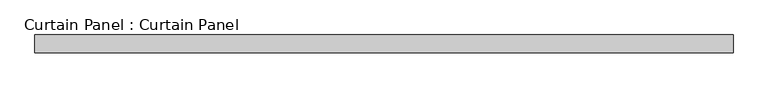
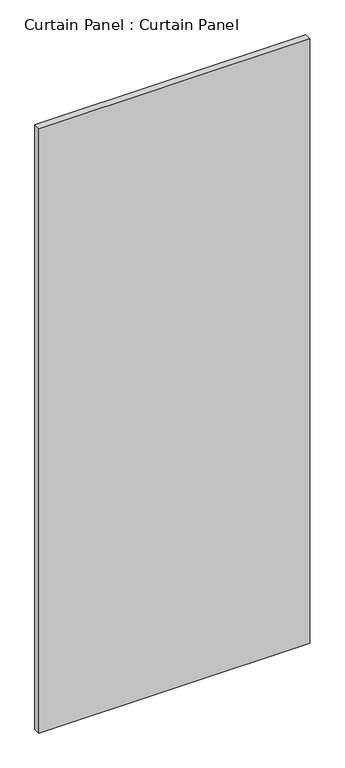
"""IFC4 building model written with IfcOpenShell, lengths in millimetres: plate geometry, Curtain Panel : Curtain Panel."""

from ifc_helpers import new_model, si_unit, frame, origin, place, context, project, spatial, polyline, outline, extrude, source, transform, mapped, element, save


def curtain_panel_curtain_panel_7d5d279f(model_context):
    return source(origin(), model_context, "Body", "SweptSolid", [
        extrude(outline(polyline([(-34213.3246935, 579.5565472), (-35219.8193297, 579.5565472), (-35219.8193297, 604.9565472), (-34213.3246935, 604.9565472), (-34213.3246935, 579.5565472)])), frame((0.0, 0.0, -626.0104492), z_axis=(0.0, 0.0, 1.0), x_axis=(1.0, 0.0, 0.0)), (0.0, 0.0, 1.0), 2374.7884866),
    ])


if __name__ == "__main__":
    model = new_model("IFC4")
    model_context = context("Model", 3, world=origin())
    ifc_project = project(units=[si_unit("LENGTHUNIT", "METRE", prefix="MILLI")], contexts=[model_context])
    site = spatial("IfcSite", under=ifc_project)
    building = spatial("IfcBuilding", under=site)
    placement = place(None, origin())
    curtain_panel_curtain_panel_shape = curtain_panel_curtain_panel_7d5d279f(model_context)
    element("IfcPlate", 1, ObjectType="Curtain Panel : Curtain Panel", at=placement, inside=building, context=model_context, shape_type="MappedRepresentation", body=[
        mapped(curtain_panel_curtain_panel_shape, transform((0.0, 0.0, 0.0), x_axis=(1.0, 0.0, 0.0), y_axis=(0.0, 1.0, 0.0), z_axis=(0.0, 0.0, 1.0))),
    ])
    save(model, "model.ifc")
